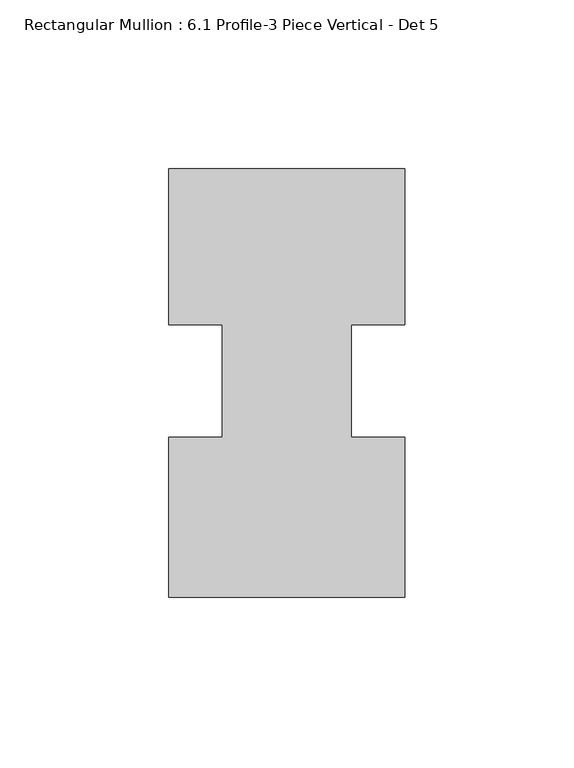
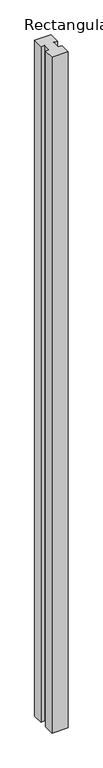
"""IFC4 building model written with IfcOpenShell, lengths in millimetres: member geometry, Rectangular Mullion : 6.1 Profile-3 Piece Vertical - Det 5."""

from ifc_helpers import new_model, si_unit, frame, origin, place, context, project, spatial, polyline, outline, extrude, source, transform, mapped, element, save


def rectangular_mullion_6_1_profile_3_piece_vertical_det_5_9e7db147(model_context):
    return source(origin(), model_context, "Body", "SweptSolid", [
        extrude(outline(polyline([(-69.9423164, -63.5), (-69.9423164, -16.0401), (-54.0673164, -16.0401), (-54.0673164, 17.3187346), (-69.9423164, 17.3187346), (-69.9423164, 63.5), (0.0, 63.5), (0.0, 17.3187346), (-15.8750006, 17.3187346), (-15.8750006, -16.0406112), (-6e-07, -16.0406112), (-6e-07, -63.5), (-69.9423164, -63.5)])), frame((0.0, 0.0, -3048.0), z_axis=(0.0, 0.0, 1.0), x_axis=(1.0, 0.0, 0.0)), (0.0, 0.0, 1.0), 3048.0),
    ])


if __name__ == "__main__":
    model = new_model("IFC4")
    model_context = context("Model", 3, world=origin())
    ifc_project = project(units=[si_unit("LENGTHUNIT", "METRE", prefix="MILLI")], contexts=[model_context])
    site = spatial("IfcSite", under=ifc_project)
    building = spatial("IfcBuilding", under=site)
    placement = place(None, origin())
    rectangular_mullion_6_1_profile_3_piece_vertical_det_5_shape = rectangular_mullion_6_1_profile_3_piece_vertical_det_5_9e7db147(model_context)
    element("IfcMember", 1, ObjectType="Rectangular Mullion : 6.1 Profile-3 Piece Vertical - Det 5", at=placement, inside=building, context=model_context, shape_type="MappedRepresentation", body=[
        mapped(rectangular_mullion_6_1_profile_3_piece_vertical_det_5_shape, transform((0.0, 0.0, 0.0), x_axis=(1.0, 0.0, 0.0), y_axis=(0.0, 1.0, 0.0), z_axis=(0.0, 0.0, 1.0))),
    ])
    save(model, "model.ifc")
